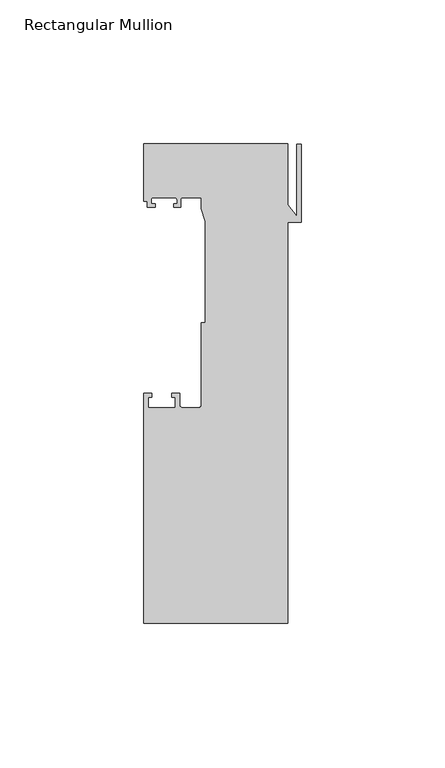
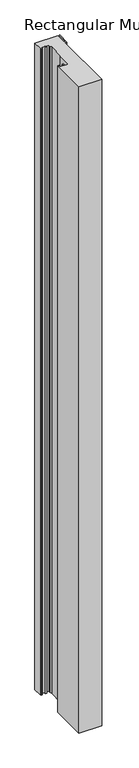
"""IFC4 building model written with IfcOpenShell, lengths in millimetres: member geometry, Rectangular Mullion."""

from ifc_helpers import new_model, si_unit, point, frame, frame_2d, origin, place, context, project, spatial, polyline, circle_curve, trimmed, segment, composite_curve, outline, extrude, source, transform, mapped, element, save


def rectangular_mullion_1001eda4(model_context):
    return source(origin(), model_context, "Body", "SweptSolid", [
        extrude(outline(composite_curve([segment(polyline([(-54.6704163, -74.5), (-54.6704163, 5.5), (-51.8704163, 5.5), (-51.8704163, 4.2), (-53.1704163, 4.2), (-53.1704163, 0.5), (-43.6704163, 0.5), (-43.6704163, 4.2), (-44.8704163, 4.2), (-44.8704163, 5.5), (-42.1704163, 5.5), (-42.1704163, 1.5)]), True, "CONTINUOUS"), segment(trimmed(circle_curve(frame_2d((-41.1704163, 1.5)), 1.0), [point((-42.1704163, 1.5))], [point((-41.1704163, 0.5))], True, "CARTESIAN"), True, "CONTINUOUS"), segment(polyline([(-41.1704163, 0.5), (-35.6704163, 0.5)]), True, "CONTINUOUS"), segment(trimmed(circle_curve(frame_2d((-35.6704163, 1.5)), 1.0), [point((-35.6704163, 0.5))], [point((-34.6704163, 1.5))], True, "CARTESIAN"), True, "CONTINUOUS"), segment(polyline([(-34.6704163, 1.5), (-34.6704163, 30.0), (-33.3704163, 30.0), (-33.3704163, 65.3046824), (-34.6704163, 69.6597214), (-34.6704163, 73.5), (-41.3204163, 73.5)]), True, "CONTINUOUS"), segment(trimmed(circle_curve(frame_2d((-41.3204163, 73.0)), 0.5), [point((-41.3204163, 73.5))], [point((-41.8204163, 73.0))], True, "CARTESIAN"), True, "CONTINUOUS"), segment(polyline([(-41.8204163, 73.0), (-41.8204163, 70.3), (-44.2204163, 70.3), (-44.2204163, 71.5), (-43.1204163, 71.5), (-43.1204163, 73.0)]), True, "CONTINUOUS"), segment(trimmed(circle_curve(frame_2d((-43.6204163, 73.0)), 0.5), [point((-43.1204163, 73.0))], [point((-43.6204163, 73.5))], True, "CARTESIAN"), True, "CONTINUOUS"), segment(polyline([(-43.6204163, 73.5), (-51.6204163, 73.5)]), True, "CONTINUOUS"), segment(trimmed(circle_curve(frame_2d((-51.6204163, 73.0)), 0.5), [point((-51.6204163, 73.5))], [point((-52.1204163, 73.0))], True, "CARTESIAN"), True, "CONTINUOUS"), segment(polyline([(-52.1204163, 73.0), (-52.1204163, 71.5), (-50.7204163, 71.5), (-50.7204163, 70.3), (-53.4204163, 70.3), (-53.4204163, 72.3), (-54.6704163, 72.3), (-54.6704163, 92.3), (-4.6704163, 92.3), (-4.6704163, 71.1838655), (-1.5, 67.1113944), (-1.5, 92.1828622), (0.0, 92.1828622), (0.0, 65.0), (-4.6704163, 65.0), (-4.6704163, -74.5), (-54.6704163, -74.5)]), True, "CONTINUOUS")], self_intersect=False)), frame((0.0, 0.0, -1500.0), z_axis=(0.0, 0.0, 1.0), x_axis=(1.0, 0.0, 0.0)), (0.0, 0.0, 1.0), 1500.0),
    ])


if __name__ == "__main__":
    model = new_model("IFC4")
    model_context = context("Model", 3, world=origin())
    ifc_project = project(units=[si_unit("LENGTHUNIT", "METRE", prefix="MILLI")], contexts=[model_context])
    site = spatial("IfcSite", under=ifc_project)
    building = spatial("IfcBuilding", under=site)
    placement = place(None, origin())
    rectangular_mullion_shape = rectangular_mullion_1001eda4(model_context)
    element("IfcMember", 1, ObjectType="Rectangular Mullion", at=placement, inside=building, context=model_context, shape_type="MappedRepresentation", body=[
        mapped(rectangular_mullion_shape, transform((0.0, 0.0, 0.0), x_axis=(1.0, 0.0, 0.0), y_axis=(0.0, 1.0, 0.0), z_axis=(0.0, 0.0, 1.0))),
    ])
    save(model, "model.ifc")
